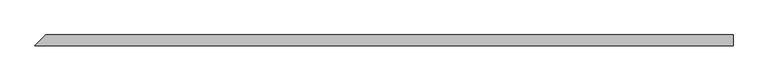
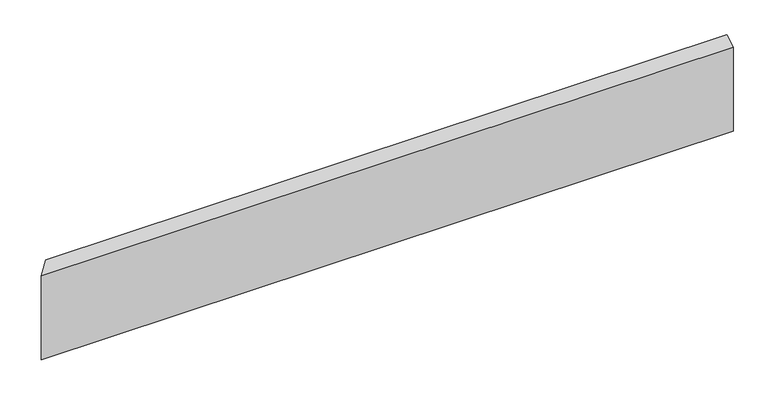
"""IFC4 building model written with IfcOpenShell, lengths in millimetres: beam geometry."""

from ifc_helpers import new_model, si_unit, origin, place, context, project, spatial, faceted_brep, source, transform, mapped, element, save


def beam_48dc7dc4(model_context):
    return source(origin(), model_context, "Body", "Brep", [
        faceted_brep([(606.5921158, -9.525, 84.0878906), (-616.1171158, -9.525, 84.0878906), (-616.1171158, -9.525, -72.9753906), (606.5921158, -9.525, -72.9753906), (606.5921158, 9.525, 95.2003906), (606.5921158, 9.525, -72.9753906), (-597.0671158, 9.525, -72.9753906), (-597.0671158, 9.525, 95.2003906)], [[[0, 1, 2, 3]], [[4, 5, 6, 7]], [[5, 4, 0, 3]], [[6, 5, 3, 2]], [[7, 6, 2, 1]], [[4, 7, 1, 0]]]),
    ])


if __name__ == "__main__":
    model = new_model("IFC4")
    model_context = context("Model", 3, world=origin())
    ifc_project = project(units=[si_unit("LENGTHUNIT", "METRE", prefix="MILLI")], contexts=[model_context])
    site = spatial("IfcSite", under=ifc_project)
    building = spatial("IfcBuilding", under=site)
    placement = place(None, origin())
    beam_shape = beam_48dc7dc4(model_context)
    element("IfcBeam", 1, at=placement, inside=building, context=model_context, shape_type="MappedRepresentation", body=[
        mapped(beam_shape, transform((0.0, 0.0, 0.0), x_axis=(1.0, 0.0, 0.0), y_axis=(0.0, 1.0, 0.0), z_axis=(0.0, 0.0, 1.0))),
    ])
    save(model, "model.ifc")
